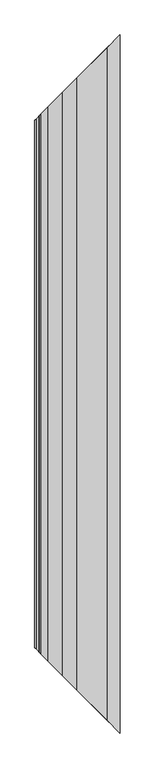
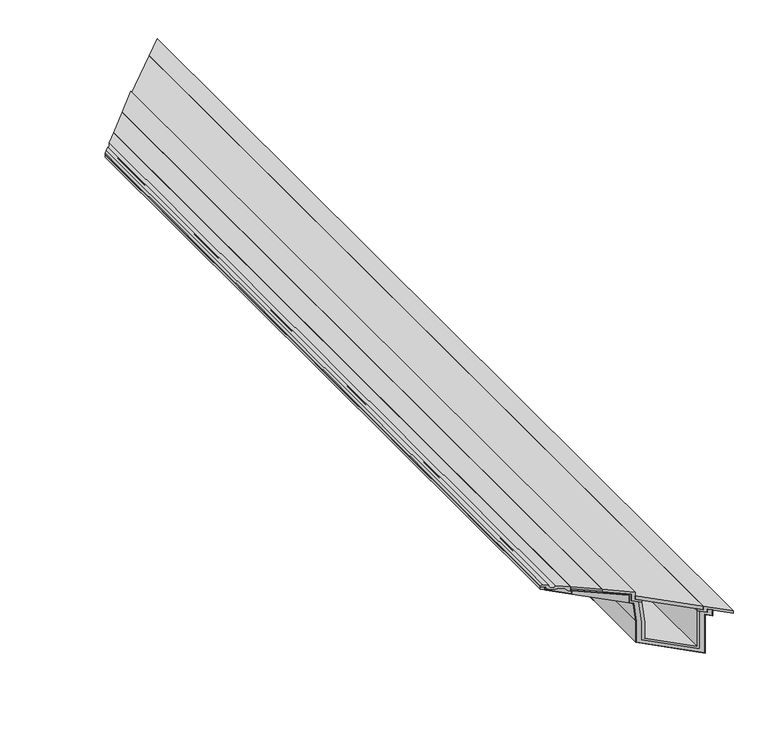
"""IFC4 building model written with IfcOpenShell, lengths in millimetres: proxy geometry."""

from ifc_helpers import new_model, si_unit, frame, origin, place, context, project, spatial, polyline, ellipse_curve, outline, extrude, faceted_brep, source, transform, mapped, element, save
from ifc_brep_helpers import plane_surface, revolved_surface, advanced_brep


def generic_models_d5075c2b(model_context):
    return source(origin(), model_context, "Body", "SolidModel", [
        faceted_brep([(15.0, 2297.0, 263.0859585), (15.0, 2297.0, 245.682064), (0.0, 2282.0, 245.682064), (0.0, 2282.0, 261.2441901), (15.0, -2297.0, 245.682064), (15.0, -2297.0, 263.0859585), (0.0, -2282.0, 261.2441901), (0.0, -2282.0, 245.682064)], [[[0, 1, 2, 3]], [[4, 5, 6, 7]], [[0, 5, 4, 1]], [[1, 4, 7, 2]], [[2, 7, 6, 3]], [[5, 0, 3, 6]]]),
        faceted_brep([(116.0, 2398.0, 290.5998466), (237.7, 2519.7, 305.5427276), (237.7, 2519.7, 293.4526097), (116.0, 2398.0, 278.5097287), (237.7, -2519.7, 305.5427276), (116.0, -2398.0, 290.5998466), (116.0, -2398.0, 278.5097287), (237.7, -2519.7, 293.4526097)], [[[0, 1, 2, 3]], [[4, 5, 6, 7]], [[0, 5, 4, 1]], [[1, 4, 7, 2]], [[2, 7, 6, 3]], [[5, 0, 3, 6]]]),
        extrude(outline(polyline([(625.0, 2907.0), (625.0, -2907.0), (363.5893809, -2645.5893809), (363.5893809, 2645.5893809), (625.0, 2907.0)])), frame((0.0, 0.0, 276.0), z_axis=(0.0, 0.0, 1.0), x_axis=(1.0, 0.0, 0.0)), (0.0, 0.0, 1.0), 22.0),
        faceted_brep([(339.5893809, 2621.5893809, 295.8879544), (339.5893809, -2621.5893809, 295.8879544), (339.5893809, -2621.5893809, 245.682064), (339.5893809, 2621.5893809, 245.682064), (120.5, -2402.5, 245.682064), (120.5, 2402.5, 245.682064), (120.5, -2402.5, 268.9871609), (120.5, 2402.5, 268.9871609)], [[[0, 1, 2, 3]], [[3, 2, 4, 5]], [[5, 4, 6, 7]], [[1, 0, 7, 6]], [[0, 3, 5, 7]], [[2, 1, 6, 4]]]),
        faceted_brep([(20.0, 2302.0, 246.682064), (20.0, -2302.0, 246.682064), (119.5, -2401.5, 246.682064), (119.5, 2401.5, 246.682064), (119.5, 2401.5, 269.8718862), (340.5893809, 2622.5893809, 297.0182488), (340.5893809, 2622.5893809, 246.682064), (357.8456292, 2639.8456292, 246.682064), (368.0, 2650.0, 134.5539912), (368.0, 2650.0, 1.0), (632.0, 2914.0, 1.0), (632.0, 2914.0, 246.682064), (660.0, 2942.0, 246.682064), (660.0, 2942.0, 278.0), (661.0, 2943.0, 278.0), (661.0, 2943.0, 245.682064), (633.0, 2915.0, 245.682064), (633.0, 2915.0, 0.0), (367.0, 2649.0, 0.0), (367.0, 2649.0, 134.5088034), (356.9320974, 2638.9320974, 245.682064), (339.5893809, 2621.5893809, 245.682064), (339.5893809, 2621.5893809, 295.8879544), (120.5, 2402.5, 268.9871609), (120.5, 2402.5, 245.682064), (20.0, 2302.0, 245.682064), (20.0, -2302.0, 245.682064), (120.5, -2402.5, 245.682064), (120.5, -2402.5, 268.9871609), (339.5893809, -2621.5893809, 295.8879544), (339.5893809, -2621.5893809, 245.682064), (356.9320974, -2638.9320974, 245.682064), (367.0, -2649.0, 134.5088034), (367.0, -2649.0, 0.0), (633.0, -2915.0, 0.0), (633.0, -2915.0, 245.682064), (661.0, -2943.0, 245.682064), (661.0, -2943.0, 278.0), (660.0, -2942.0, 278.0), (660.0, -2942.0, 246.682064), (632.0, -2914.0, 246.682064), (632.0, -2914.0, 1.0), (368.0, -2650.0, 1.0), (368.0, -2650.0, 134.5539912), (357.8456292, -2639.8456292, 246.682064), (340.5893809, -2622.5893809, 246.682064), (340.5893809, -2622.5893809, 297.0182488), (119.5, -2401.5, 269.8718862)], [[[0, 1, 2, 3]], [[0, 3, 4, 5, 6, 7, 8, 9, 10, 11, 12, 13, 14, 15, 16, 17, 18, 19, 20, 21, 22, 23, 24, 25]], [[2, 1, 26, 27, 28, 29, 30, 31, 32, 33, 34, 35, 36, 37, 38, 39, 40, 41, 42, 43, 44, 45, 46, 47]], [[3, 2, 47, 4]], [[4, 47, 46, 5]], [[5, 46, 45, 6]], [[6, 45, 44, 7]], [[20, 31, 30, 21]], [[21, 30, 29, 22]], [[22, 29, 28, 23]], [[23, 28, 27, 24]], [[24, 27, 26, 25]], [[1, 0, 25, 26]], [[9, 42, 41, 10]], [[17, 34, 33, 18]], [[18, 33, 32, 19]], [[10, 41, 40, 11]], [[11, 40, 39, 12]], [[34, 17, 16, 35]], [[7, 44, 43, 8]], [[42, 9, 8, 43]], [[31, 20, 19, 32]], [[12, 39, 38, 13]], [[13, 38, 37, 14]], [[14, 37, 36, 15]], [[35, 16, 15, 36]]]),
        faceted_brep([(348.5893809, 2630.5893809, 304.0455842), (348.5893809, 2630.5893809, 262.0), (376.5402742, 2658.5402742, 262.0), (388.0, 2670.0, 135.4577467), (388.0, 2670.0, 21.0), (612.0, 2894.0, 21.0), (612.0, 2894.0, 262.0), (640.0, 2922.0, 262.0), (640.0, 2922.0, 283.0), (661.0, 2943.0, 283.0), (661.0, 2943.0, 278.0), (660.0, 2942.0, 278.0), (660.0, 2942.0, 246.682064), (632.0, 2914.0, 246.682064), (632.0, 2914.0, 1.0), (368.0, 2650.0, 1.0), (368.0, 2650.0, 134.5539912), (357.8456292, 2639.8456292, 246.682064), (340.5893809, 2622.5893809, 246.682064), (340.5893809, 2622.5893809, 297.0182488), (119.5, 2401.5, 269.8718862), (119.5, 2401.5, 246.682064), (20.0, 2302.0, 246.682064), (20.0, 2302.0, 245.682064), (15.0, 2297.0, 245.682064), (15.0, 2297.0, 263.0859585), (20.0, 2302.0, 263.6998813), (20.0, 2302.0, 252.5040499), (55.5685701, 2337.5685701, 256.6579811), (67.5834837, 2349.5834837, 269.5423985), (93.3955598, 2375.3955598, 272.7117229), (104.5, 2386.5, 263.5998466), (116.0, 2398.0, 263.5998466), (116.0, 2398.0, 278.5097287), (237.7, 2519.7, 293.4526097), (237.7, 2519.7, 290.4300803), (348.5893809, -2630.5893809, 262.0), (348.5893809, -2630.5893809, 304.0455842), (237.7, -2519.7, 290.4300803), (237.7, -2519.7, 293.4526097), (116.0, -2398.0, 278.5097287), (116.0, -2398.0, 263.5998466), (104.5, -2386.5, 263.5998466), (93.3955598, -2375.3955598, 272.7117229), (67.5834837, -2349.5834837, 269.5423985), (55.5685701, -2337.5685701, 256.6579811), (20.0, -2302.0, 252.5040499), (20.0, -2302.0, 263.6998813), (15.0, -2297.0, 263.0859585), (15.0, -2297.0, 245.682064), (20.0, -2302.0, 245.682064), (20.0, -2302.0, 246.682064), (119.5, -2401.5, 246.682064), (119.5, -2401.5, 269.8718862), (340.5893809, -2622.5893809, 297.0182488), (340.5893809, -2622.5893809, 246.682064), (357.8456292, -2639.8456292, 246.682064), (368.0, -2650.0, 134.5539912), (368.0, -2650.0, 1.0), (632.0, -2914.0, 1.0), (632.0, -2914.0, 246.682064), (660.0, -2942.0, 246.682064), (660.0, -2942.0, 278.0), (661.0, -2943.0, 278.0), (661.0, -2943.0, 283.0), (640.0, -2922.0, 283.0), (640.0, -2922.0, 262.0), (612.0, -2894.0, 262.0), (612.0, -2894.0, 21.0), (388.0, -2670.0, 21.0), (388.0, -2670.0, 135.4577467), (376.5402742, -2658.5402742, 262.0)], [[[0, 1, 2, 3, 4, 5, 6, 7, 8, 9, 10, 11, 12, 13, 14, 15, 16, 17, 18, 19, 20, 21, 22, 23, 24, 25, 26, 27, 28, 29, 30, 31, 32, 33, 34, 35]], [[36, 37, 38, 39, 40, 41, 42, 43, 44, 45, 46, 47, 48, 49, 50, 51, 52, 53, 54, 55, 56, 57, 58, 59, 60, 61, 62, 63, 64, 65, 66, 67, 68, 69, 70, 71]], [[0, 37, 36, 1]], [[1, 36, 71, 2]], [[17, 56, 55, 18]], [[18, 55, 54, 19]], [[19, 54, 53, 20]], [[20, 53, 52, 21]], [[24, 49, 48, 25]], [[25, 48, 47, 26]], [[26, 47, 46, 27]], [[27, 46, 45, 28]], [[28, 45, 44, 29]], [[29, 44, 43, 30]], [[30, 43, 42, 31]], [[31, 42, 41, 32]], [[32, 41, 40, 33]], [[37, 0, 35, 38]], [[38, 35, 34, 39]], [[4, 69, 68, 5]], [[5, 68, 67, 6]], [[6, 67, 66, 7]], [[13, 60, 59, 14]], [[14, 59, 58, 15]], [[21, 52, 51, 22]], [[2, 71, 70, 3]], [[69, 4, 3, 70]], [[15, 58, 57, 16]], [[56, 17, 16, 57]], [[39, 34, 33, 40]], [[7, 66, 65, 8]], [[8, 65, 64, 9]], [[11, 62, 61, 12]], [[60, 13, 12, 61]], [[9, 64, 63, 10]], [[62, 11, 10, 63]], [[22, 51, 50, 23]], [[49, 24, 23, 50]]]),
        faceted_brep([(400.0, 2682.0, 36.0), (600.0, 2882.0, 36.0), (600.0, 2882.0, 262.0), (612.0, 2894.0, 262.0), (612.0, 2894.0, 21.0), (388.0, 2670.0, 21.0), (388.0, 2670.0, 135.4577467), (376.5402742, 2658.5402742, 262.0), (388.5893809, 2670.5893809, 262.0), (400.0, 2682.0, 136.0), (600.0, -2882.0, 36.0), (400.0, -2682.0, 36.0), (400.0, -2682.0, 136.0), (388.5893809, -2670.5893809, 262.0), (376.5402742, -2658.5402742, 262.0), (388.0, -2670.0, 135.4577467), (388.0, -2670.0, 21.0), (612.0, -2894.0, 21.0), (612.0, -2894.0, 262.0), (600.0, -2882.0, 262.0)], [[[0, 1, 2, 3, 4, 5, 6, 7, 8, 9]], [[10, 11, 12, 13, 14, 15, 16, 17, 18, 19]], [[0, 11, 10, 1]], [[1, 10, 19, 2]], [[2, 19, 18, 3]], [[4, 17, 16, 5]], [[5, 16, 15, 6]], [[6, 15, 14, 7]], [[7, 14, 13, 8]], [[8, 13, 12, 9]], [[11, 0, 9, 12]], [[17, 4, 3, 18]]]),
        advanced_brep(
        [(0.0, 2282.0, 261.2441901), (0.0, -2282.0, 261.2441901), (0.0, -2282.0, 269.8936236), (0.0, 2282.0, 269.8936236), (9.7094451, 2291.7094451, 277.5490075), (32.0, 2314.0, 280.2859435), (37.8105267, 2319.8105267, 264.554064), (57.0, 2339.0, 283.3555575), (116.0, 2398.0, 290.5998466), (116.0, 2398.0, 263.5998466), (104.5, 2386.5, 263.5998466), (93.3955598, 2375.3955598, 272.7117229), (67.5834837, 2349.5834837, 269.5423985), (55.5685701, 2337.5685701, 256.6579811), (20.0, 2302.0, 252.5040499), (20.0, 2302.0, 263.6998813), (20.0, -2302.0, 263.6998813), (20.0, -2302.0, 252.5040499), (55.5685701, -2337.5685701, 256.6579811), (67.5834837, -2349.5834837, 269.5423985), (93.3955598, -2375.3955598, 272.7117229), (104.5, -2386.5, 263.5998466), (116.0, -2398.0, 263.5998466), (116.0, -2398.0, 290.5998466), (57.0, -2339.0, 283.3555575), (37.8105267, -2319.8105267, 264.554064), (32.0, -2314.0, 280.2859435), (9.7094451, -2291.7094451, 277.5490075)],
        [
            (0, 1),
            (1, 2),
            (2, 3),
            (3, 0),
            (3, 4),
            (4, 5),
            (5, 6, ellipse_curve(frame((55.4488943, 2337.4488943, 280.0077377), z_axis=(0.707106781186547, -0.7071067811865481, 0.0), x_axis=(-0.7071067811865481, -0.7071067811865468, 0.0)), 33.1640783, 23.4505447)),
            (6, 7, ellipse_curve(frame((37.8886508, 2319.8886508, 283.6678042), z_axis=(0.707106781186547, -0.7071067811865481, 0.0), x_axis=(-0.7071067811865481, -0.7071067811865468, 0.0)), 27.0311364, 19.1138998)),
            (7, 8),
            (8, 9),
            (9, 10),
            (10, 11),
            (11, 12),
            (12, 13),
            (13, 14),
            (14, 15),
            (15, 0),
            (1, 16),
            (16, 17),
            (17, 18),
            (18, 19),
            (19, 20),
            (20, 21),
            (21, 22),
            (22, 23),
            (23, 24),
            (24, 25, ellipse_curve(frame((37.8886508, -2319.8886508, 283.6678042), z_axis=(0.707106781186547, 0.7071067811865481, 0.0), x_axis=(0.7071067811865482, -0.7071067811865469, 0.0)), 27.0311364, 19.1138998)),
            (25, 26, ellipse_curve(frame((55.4488943, -2337.4488943, 280.0077377), z_axis=(0.707106781186547, 0.7071067811865481, 0.0), x_axis=(0.7071067811865482, -0.7071067811865469, 0.0)), 33.1640783, 23.4505447)),
            (26, 27),
            (27, 2),
            (27, 4),
            (26, 5),
            (25, 6),
            (24, 7),
            (23, 8),
            (22, 9),
            (21, 10),
            (20, 11),
            (19, 12),
            (18, 13),
            (17, 14),
            (16, 15),
        ],
        [
            plane_surface(frame((0.0, 3022.0, 261.2441901), z_axis=(-1.0, 0.0, 0.0), x_axis=(0.0, -1.0, 0.0))),
            plane_surface(frame((0.0, 2282.0, 321.0), z_axis=(-0.707106781186547, 0.7071067811865481, 0.0), x_axis=(0.0, 0.0, -1.0))),
            plane_surface(frame((740.0, -3022.0, 321.0), z_axis=(-0.707106781186547, -0.7071067811865481, 0.0), x_axis=(0.0, 0.0, -1.0))),
            plane_surface(frame((0.0, 3022.0, 269.8936236), z_axis=(-0.6191475432586214, 0.0, 0.7852746778527966), x_axis=(0.0, -1.0, 0.0))),
            plane_surface(frame((9.7094451, 3022.0, 277.5490075), z_axis=(-0.12186934340514402, 0.0, 0.9925461516413224), x_axis=(0.0, -1.0, 0.0))),
            revolved_surface(polyline([(78.899439, -2360.899438957731, 280.0077377), (78.899439, 2360.899438957732, 280.0077377)]), (55.4488943, 3022.0, 280.0077377), (0.0, -1.0, 0.0)),
            revolved_surface(polyline([(57.0025506, -2339.0025506516185, 283.6678042), (57.0025506, 2339.0025506516185, 283.6678042)]), (37.8886508, 3022.0, 283.6678042), (0.0, -1.0, 0.0)),
            plane_surface(frame((57.0, 3022.0, 283.3555575), z_axis=(-0.12186934340514415, 0.0, 0.9925461516413225), x_axis=(0.0, -1.0, 0.0))),
            plane_surface(frame((116.0, 3022.0, 290.5998466), z_axis=(1.0, 0.0, 0.0), x_axis=(0.0, -1.0, 0.0))),
            plane_surface(frame((116.0, 3022.0, 263.5998466), z_axis=(0.0, 0.0, -1.0), x_axis=(0.0, -1.0, 0.0))),
            plane_surface(frame((104.5, 3022.0, 263.5998466), z_axis=(-0.63433911210237, 0.0, -0.7730549080480486), x_axis=(0.0, -1.0, 0.0))),
            plane_surface(frame((93.3955598, 3022.0, 272.7117229), z_axis=(0.12186934340514435, 0.0, -0.9925461516413224), x_axis=(0.0, -1.0, 0.0))),
            plane_surface(frame((67.5834837, 3022.0, 269.5423985), z_axis=(0.7313537016191691, 0.0, -0.6819983600624999), x_axis=(0.0, -1.0, 0.0))),
            plane_surface(frame((55.5685701, 3022.0, 256.6579811), z_axis=(0.11599818969749838, 0.0, -0.9932494248610987), x_axis=(0.0, -1.0, 0.0))),
            plane_surface(frame((20.0, 3022.0, 252.5040499), z_axis=(-1.0, 0.0, 0.0), x_axis=(0.0, -1.0, 0.0))),
            plane_surface(frame((20.0, 3022.0, 263.6998813), z_axis=(0.1218693434051437, 0.0, -0.9925461516413225), x_axis=(0.0, -1.0, 0.0))),
        ],
        [
            (0, [[1, 2, 3, 4]]),
            (1, [[-4, 5, 6, 7, 8, 9, 10, 11, 12, 13, 14, 15, 16, 17]]),
            (2, [[-2, 18, 19, 20, 21, 22, 23, 24, 25, 26, 27, 28, 29, 30]]),
            (3, [[-3, -30, 31, -5]]),
            (4, [[-31, -29, 32, -6]]),
            (5, [[-32, -28, 33, -7]]),
            (6, [[-33, -27, 34, -8]]),
            (7, [[-34, -26, 35, -9]]),
            (8, [[-35, -25, 36, -10]]),
            (9, [[-36, -24, 37, -11]]),
            (10, [[-37, -23, 38, -12]]),
            (11, [[-38, -22, 39, -13]]),
            (12, [[-39, -21, 40, -14]]),
            (13, [[-40, -20, 41, -15]]),
            (14, [[-41, -19, 42, -16]]),
            (15, [[-1, -17, -42, -18]]),
        ],
    ),
        faceted_brep([(237.7, 2519.7, 305.5427276), (363.5893809, 2645.5893809, 321.0), (363.5893809, 2645.5893809, 276.0), (388.5893809, 2670.5893809, 276.0), (388.5893809, 2670.5893809, 262.0), (348.5893809, 2630.5893809, 262.0), (348.5893809, 2630.5893809, 304.0455842), (237.7, 2519.7, 290.4300803), (363.5893809, -2645.5893809, 321.0), (237.7, -2519.7, 305.5427276), (237.7, -2519.7, 290.4300803), (348.5893809, -2630.5893809, 304.0455842), (348.5893809, -2630.5893809, 262.0), (388.5893809, -2670.5893809, 262.0), (388.5893809, -2670.5893809, 276.0), (363.5893809, -2645.5893809, 276.0)], [[[0, 1, 2, 3, 4, 5, 6, 7]], [[8, 9, 10, 11, 12, 13, 14, 15]], [[0, 9, 8, 1]], [[1, 8, 15, 2]], [[2, 15, 14, 3]], [[3, 14, 13, 4]], [[4, 13, 12, 5]], [[5, 12, 11, 6]], [[6, 11, 10, 7]], [[9, 0, 7, 10]]]),
        faceted_brep([(625.0, 2907.0, 276.0), (625.0, 2907.0, 298.0), (740.0, 3022.0, 298.0), (740.0, 3022.0, 283.0), (640.0, 2922.0, 283.0), (640.0, 2922.0, 262.0), (600.0, 2882.0, 262.0), (600.0, 2882.0, 276.0), (625.0, -2907.0, 298.0), (625.0, -2907.0, 276.0), (600.0, -2882.0, 276.0), (600.0, -2882.0, 262.0), (640.0, -2922.0, 262.0), (640.0, -2922.0, 283.0), (740.0, -3022.0, 283.0), (740.0, -3022.0, 298.0)], [[[0, 1, 2, 3, 4, 5, 6, 7]], [[8, 9, 10, 11, 12, 13, 14, 15]], [[0, 9, 8, 1]], [[15, 2, 1, 8]], [[2, 15, 14, 3]], [[3, 14, 13, 4]], [[4, 13, 12, 5]], [[5, 12, 11, 6]], [[6, 11, 10, 7]], [[9, 0, 7, 10]]]),
    ])


if __name__ == "__main__":
    model = new_model("IFC4")
    model_context = context("Model", 3, world=origin())
    ifc_project = project(units=[si_unit("LENGTHUNIT", "METRE", prefix="MILLI")], contexts=[model_context])
    site = spatial("IfcSite", under=ifc_project)
    building = spatial("IfcBuilding", under=site)
    placement = place(None, origin())
    generic_models_shape = generic_models_d5075c2b(model_context)
    element("IfcBuildingElementProxy", 1, Name="Generic Models", at=placement, inside=building, context=model_context, shape_type="MappedRepresentation", body=[
        mapped(generic_models_shape, transform((0.0, 0.0, 0.0), x_axis=(1.0, 0.0, 0.0), y_axis=(0.0, 1.0, 0.0), z_axis=(0.0, 0.0, 1.0))),
    ])
    save(model, "model.ifc")
